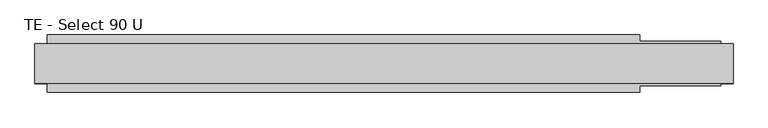
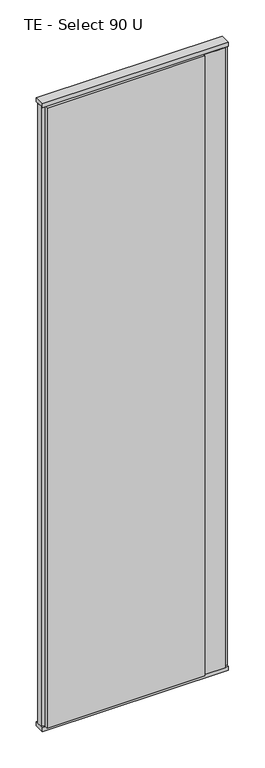
"""IFC4 building model written with IfcOpenShell, lengths in millimetres: plate geometry, TE - Select 90 U."""

import ifcopenshell
import ifcopenshell.guid

model = None  # the IFC model being written
_history = None  # IfcOwnerHistory: only IFC2X3 demands one
_inside = {}  # id of a spatial element -> (the spatial element, [elements in it])
_under = {}  # id of a project, library or spatial element -> (it, [spatial elements below it])
_declared = {}  # id of a project -> (the project, [libraries it declares])
_typed = {}  # id of a type object -> (the type object, [elements of that type])
_made_of = {}  # id of a material, layer set ... -> (it, [elements and type objects made of it])


def new_model(schema):
    """Start an empty IFC model of exactly this schema.

    Asked for "IFC4X3", IfcOpenShell would pick the latest addendum, in which some entities
    have other attributes; the version numbers below select the first issue.
    IFC2X3 requires an IfcOwnerHistory on every rooted entity: one is made here for all.
    """
    global model, _history
    if schema == "IFC4X3":
        model = ifcopenshell.file(schema_version=(4, 3, 0, 0))
    else:
        model = ifcopenshell.file(schema=schema)
    _inside.clear()
    _under.clear()
    _declared.clear()
    _typed.clear()
    _made_of.clear()
    _history = None
    if model.schema == "IFC2X3":
        org = make("IfcOrganization", Name="unknown")
        user = make(
            "IfcPersonAndOrganization",
            ThePerson=make("IfcPerson", FamilyName="unknown"),
            TheOrganization=org,
        )
        app = make(
            "IfcApplication",
            ApplicationDeveloper=org,
            Version="unknown",
            ApplicationFullName="unknown",
            ApplicationIdentifier="unknown",
        )
        _history = make(
            "IfcOwnerHistory",
            OwningUser=user,
            OwningApplication=app,
            ChangeAction="ADDED",
            CreationDate=0,
        )
    return model


def make(cls, **values):
    """One entity of the class cls with the attributes given. An attribute that is None is left unset."""
    return model.create_entity(
        cls, **{name: value for name, value in values.items() if value is not None}
    )


def rooted(cls, **values):
    """An entity with a GlobalId (a new one), such as an element, a storey or a relation."""
    return make(cls, GlobalId=ifcopenshell.guid.new(), OwnerHistory=_history, **values)


def si_unit(unit_type, name, prefix=None):
    """IfcSIUnit, for example si_unit("LENGTHUNIT", "METRE", prefix="MILLI")."""
    return make("IfcSIUnit", UnitType=unit_type, Prefix=prefix, Name=name)


def assignment(units):
    """IfcUnitAssignment: the units of a project."""
    return None if units is None else make("IfcUnitAssignment", Units=units)


def point(xyz):
    """IfcCartesianPoint."""
    return None if xyz is None else make("IfcCartesianPoint", Coordinates=xyz)


def direction(xyz):
    """IfcDirection."""
    return None if xyz is None else make("IfcDirection", DirectionRatios=xyz)


def frame(location, z_axis=None, x_axis=None):
    """IfcAxis2Placement3D, a coordinate frame: its origin and axes. An axis left out is left unset."""
    return make(
        "IfcAxis2Placement3D",
        Location=point(location),
        Axis=direction(z_axis),
        RefDirection=direction(x_axis),
    )


def origin():
    """The frame at (0, 0, 0) with its axes left unset."""
    return frame((0.0, 0.0, 0.0))


def origin_with_axes():
    """The frame at (0, 0, 0) with the z axis (0, 0, 1) and the x axis (1, 0, 0) written out."""
    return frame((0.0, 0.0, 0.0), z_axis=(0.0, 0.0, 1.0), x_axis=(1.0, 0.0, 0.0))


def place(relative_to, where):
    """IfcLocalPlacement: puts the frame where relative to a parent placement (None: the world)."""
    return make(
        "IfcLocalPlacement", PlacementRelTo=relative_to, RelativePlacement=where
    )


def context(
    kind, dimensions, precision=None, world=None, true_north=None, identifier=None
):
    """IfcGeometricRepresentationContext, for example the 3D "Model" context."""
    return make(
        "IfcGeometricRepresentationContext",
        ContextIdentifier=identifier,
        ContextType=kind,
        CoordinateSpaceDimension=dimensions,
        Precision=precision,
        WorldCoordinateSystem=world,
        TrueNorth=true_north,
    )


def project(units=None, contexts=None):
    """IfcProject with its units and contexts."""
    return rooted(
        "IfcProject",
        Name="project",
        RepresentationContexts=contexts,
        UnitsInContext=assignment(units),
    )


def spatial(cls, under=None, at=None, **own):
    """A site, building, storey or space (cls), placed at a placement, below another one or the project."""
    s = rooted(cls, ObjectPlacement=at, **own)
    if under is not None:
        _under.setdefault(under.id(), (under, []))[1].append(s)
    return s


def polyline(points):
    """IfcPolyline through the points."""
    return make("IfcPolyline", Points=[point(p) for p in points])


def outline(outer, holes=None, kind="AREA"):
    """IfcArbitraryClosedProfileDef: a profile drawn as a closed curve; with holes, ...WithVoids."""
    if holes is None:
        return make("IfcArbitraryClosedProfileDef", ProfileType=kind, OuterCurve=outer)
    return make(
        "IfcArbitraryProfileDefWithVoids",
        ProfileType=kind,
        OuterCurve=outer,
        InnerCurves=holes,
    )


def extrude(swept, where, along, depth):
    """IfcExtrudedAreaSolid: the profile swept, set in the frame where, extruded along a direction by depth."""
    return make(
        "IfcExtrudedAreaSolid",
        SweptArea=swept,
        Position=where,
        ExtrudedDirection=direction(along),
        Depth=depth,
    )


def shape(context_of_items, identifier, shape_type, items):
    """IfcShapeRepresentation: the items that make up one representation, for example the "Body"."""
    return make(
        "IfcShapeRepresentation",
        ContextOfItems=context_of_items,
        RepresentationIdentifier=identifier,
        RepresentationType=shape_type,
        Items=items,
    )


def source(mapping_origin, context_of_items, identifier, shape_type, items):
    """IfcRepresentationMap: a shape defined once, which mapped items show again and again."""
    return make(
        "IfcRepresentationMap",
        MappingOrigin=mapping_origin,
        MappedRepresentation=shape(context_of_items, identifier, shape_type, items),
    )


def transform(
    local_origin,
    x_axis=None,
    y_axis=None,
    z_axis=None,
    scale=None,
    scale2=None,
    scale3=None,
    uniform=True,
):
    """IfcCartesianTransformationOperator3D, or its non-uniform kind. x_axis, y_axis, z_axis: its Axis1, 2, 3."""
    if uniform:
        return make(
            "IfcCartesianTransformationOperator3D",
            Axis1=direction(x_axis),
            Axis2=direction(y_axis),
            LocalOrigin=point(local_origin),
            Scale=scale,
            Axis3=direction(z_axis),
        )
    return make(
        "IfcCartesianTransformationOperator3DnonUniform",
        Axis1=direction(x_axis),
        Axis2=direction(y_axis),
        LocalOrigin=point(local_origin),
        Scale=scale,
        Axis3=direction(z_axis),
        Scale2=scale2,
        Scale3=scale3,
    )


def mapped(mapping_source, mapping_target):
    """IfcMappedItem: shows the shape of a source again, moved by a transform."""
    return make(
        "IfcMappedItem", MappingSource=mapping_source, MappingTarget=mapping_target
    )


def made_of(thing, what):
    """Note that an element or type object is made of a material, layer set ...; save() writes the relation."""
    if what is not None:
        _made_of.setdefault(what.id(), (what, []))[1].append(thing)
    return thing


def element(
    cls,
    number,
    at=None,
    inside=None,
    cuts=None,
    type_object=None,
    material=None,
    context=None,
    identifier="Body",
    shape_type=None,
    held_by="IfcProductDefinitionShape",
    body=None,
    shapes=None,
    **own,
):
    """One element of the class cls, such as IfcWall. Its Tag is "e" and its number.

    at: its placement. inside: the storey or other place that contains it. cuts: it is an
    opening in that element (IfcRelVoidsElement). A single representation is given by context,
    identifier, shape_type and body (its items); several are given by shapes. held_by: the class
    of the entity that holds the representations. save() writes the other relations.
    """
    e = rooted(cls, Tag="e%d" % number, ObjectPlacement=at, **own)
    if body is not None:
        shapes = [shape(context, identifier, shape_type, body)]
    if shapes is not None:
        e.Representation = make(held_by, Representations=shapes)
    if inside is not None:
        _inside.setdefault(inside.id(), (inside, []))[1].append(e)
    if cuts is not None:
        rooted(
            "IfcRelVoidsElement", RelatingBuildingElement=cuts, RelatedOpeningElement=e
        )
    if type_object is not None:
        _typed.setdefault(type_object.id(), (type_object, []))[1].append(e)
    return made_of(e, material)


def aggregate(whole, parts):
    """IfcRelAggregates: a whole, such as a stair, and the parts it consists of."""
    return rooted("IfcRelAggregates", RelatingObject=whole, RelatedObjects=parts)


def save(model, path):
    """Write the relations noted so far, then the file.

    IfcRelAggregates (storeys below a building ...), IfcRelContainedInSpatialStructure (elements
    in a storey), IfcRelDefinesByType, IfcRelAssociatesMaterial and IfcRelDeclares: one each for
    every whole, place, type object, material and project.
    """
    for whole, parts in _under.values():
        aggregate(whole, parts)
    for where, things in _inside.values():
        rooted(
            "IfcRelContainedInSpatialStructure",
            RelatedElements=things,
            RelatingStructure=where,
        )
    for kind, things in _typed.values():
        rooted("IfcRelDefinesByType", RelatedObjects=things, RelatingType=kind)
    for what, things in _made_of.values():
        rooted("IfcRelAssociatesMaterial", RelatedObjects=things, RelatingMaterial=what)
    for by, libraries in _declared.values():
        rooted("IfcRelDeclares", RelatingContext=by, RelatedDefinitions=libraries)
    model.write(path)


def te_select_90_u_d0ee424a(model_context):
    return source(origin(), model_context, "Body", "SweptSolid", [
        extrude(outline(polyline([(410.5, 46.0), (410.5, 36.0), (540.5, 36.0), (540.5, 22.9993165), (560.5, 17.6401049), (560.5, -17.6401049), (540.5, -22.9993165), (540.5, -36.0), (410.5, -36.0), (410.5, -46.0), (-540.5, -46.0), (-540.5, -22.9993165), (-560.5, -17.6401049), (-560.5, 17.6401049), (-540.5, 22.9993165), (-540.5, 46.0), (410.5, 46.0)])), frame((0.0, 0.0, 25.0), z_axis=(0.0, 0.0, 1.0), x_axis=(1.0, 0.0, 0.0)), (0.0, 0.0, 1.0), 3950.0),
        extrude(outline(polyline([(560.5, 32.0), (560.5, -32.0), (-560.5, -32.0), (-560.5, 32.0), (560.5, 32.0)])), origin_with_axes(), (0.0, 0.0, 1.0), 25.0),
        extrude(outline(polyline([(560.5, 32.0), (560.5, -32.0), (-560.5, -32.0), (-560.5, 32.0), (560.5, 32.0)])), frame((0.0, 0.0, 3975.0), z_axis=(0.0, 0.0, 1.0), x_axis=(1.0, 0.0, 0.0)), (0.0, 0.0, 1.0), 25.0),
    ])


if __name__ == "__main__":
    model = new_model("IFC4")
    model_context = context("Model", 3, world=origin())
    ifc_project = project(units=[si_unit("LENGTHUNIT", "METRE", prefix="MILLI")], contexts=[model_context])
    site = spatial("IfcSite", under=ifc_project)
    building = spatial("IfcBuilding", under=site)
    placement = place(None, origin())
    te_select_90_u_shape = te_select_90_u_d0ee424a(model_context)
    element("IfcPlate", 1, ObjectType="TE - Select 90 U", at=placement, inside=building, context=model_context, shape_type="MappedRepresentation", body=[
        mapped(te_select_90_u_shape, transform((0.0, 0.0, 0.0), x_axis=(1.0, 0.0, 0.0), y_axis=(0.0, 1.0, 0.0), z_axis=(0.0, 0.0, 1.0))),
    ])
    save(model, "model.ifc")
